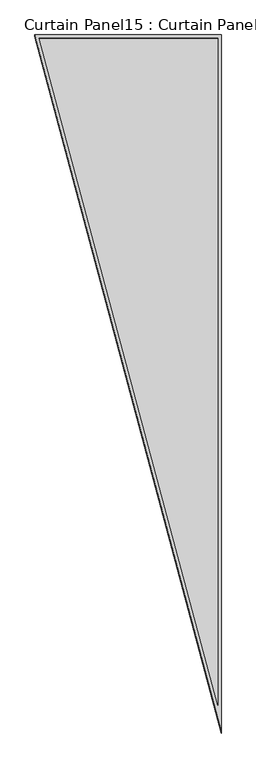
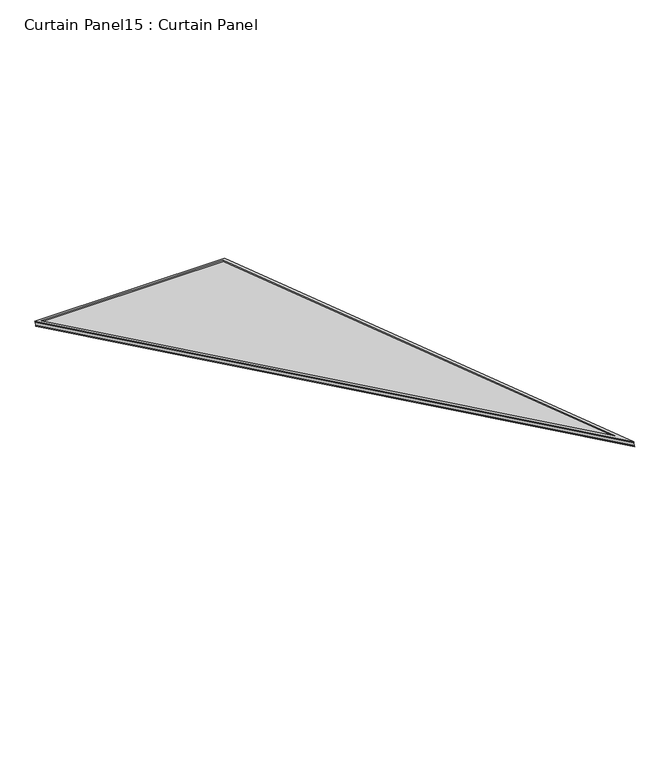
"""IFC4 building model written with IfcOpenShell, lengths in millimetres: plate geometry, Curtain Panel15 : Curtain Panel."""

from ifc_helpers import new_model, si_unit, frame, origin, place, context, project, spatial, polyline, outline, extrude, source, transform, mapped, element, save


def curtain_panel15_curtain_panel_10eed31b(model_context):
    return source(origin(), model_context, "Body", "SweptSolid", [
        extrude(outline(polyline([(901.1839152, 0.0), (901.1839152, -3545.0896508), (0.0, 0.0), (901.1839152, 0.0)]), holes=[polyline([(884.5211174, -16.6627979), (21.4285394, -16.6627979), (884.5211174, -3411.9082236), (884.5211174, -16.6627979)])]), frame((10517.902373, 7991.5636363, 898.6660598), z_axis=(0.0, 0.31614582397380603, 0.948710608132914), x_axis=(1.0, 0.0, 0.0)), (0.0, 0.0, 1.0), 4.8676944),
        extrude(outline(polyline([(901.1839152, 0.0), (901.1839152, -3545.0896509), (0.0, 0.0), (901.1839152, 0.0)]), holes=[polyline([(890.8711174, -10.3127979), (13.2623703, -10.3127979), (890.8711174, -3462.6621288), (890.8711174, -10.3127979)])]), frame((10517.902373, 7986.0022959, 881.9772337), z_axis=(0.0, 0.3161458239738059, 0.948710608132914), x_axis=(1.0, 0.0, 0.0)), (0.0, 0.0, 1.0), 4.7841913),
        extrude(outline(polyline([(3.5715985, 0.0), (904.7555137, 0.0), (904.7555137, -3545.0896509), (3.5715985, 0.0)])), frame((10514.3307745, 7987.514798, 886.5160467), z_axis=(0.0, 0.3161458239738058, 0.948710608132914), x_axis=(1.0, 0.0, 0.0)), (0.0, 0.0, 1.0), 12.8068697),
    ])


if __name__ == "__main__":
    model = new_model("IFC4")
    model_context = context("Model", 3, world=origin())
    ifc_project = project(units=[si_unit("LENGTHUNIT", "METRE", prefix="MILLI")], contexts=[model_context])
    site = spatial("IfcSite", under=ifc_project)
    building = spatial("IfcBuilding", under=site)
    placement = place(None, origin())
    curtain_panel15_curtain_panel_shape = curtain_panel15_curtain_panel_10eed31b(model_context)
    element("IfcPlate", 1, ObjectType="Curtain Panel15 : Curtain Panel", at=placement, inside=building, context=model_context, shape_type="MappedRepresentation", body=[
        mapped(curtain_panel15_curtain_panel_shape, transform((0.0, 0.0, 0.0), x_axis=(1.0, 0.0, 0.0), y_axis=(0.0, 1.0, 0.0), z_axis=(0.0, 0.0, 1.0))),
    ])
    save(model, "model.ifc")
